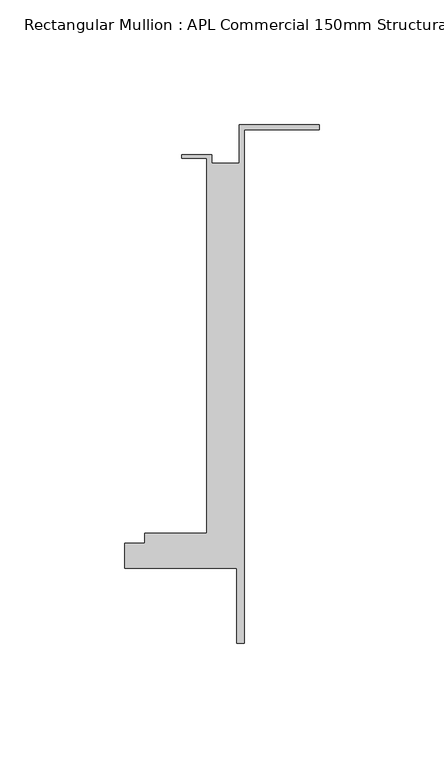
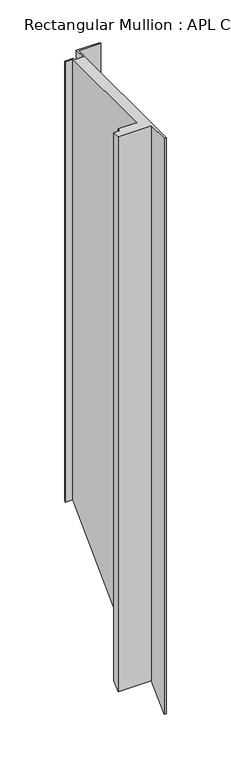
"""IFC4 building model written with IfcOpenShell, lengths in millimetres: member geometry, Rectangular Mullion : APL Commercial 150mm Structural Glaze SubSill."""

from ifc_helpers import new_model, si_unit, origin, place, context, project, spatial, faceted_brep, source, transform, mapped, element, save


def rectangular_mullion_apl_commercial_150mm_structural_glaze_546bb0ed(model_context):
    return source(origin(), model_context, "Body", "Brep", [
        faceted_brep([(-32.0, 41.25, 0.0), (-32.0, 25.75, 0.0), (-43.0, 25.75, 0.0), (-43.0, 29.25, 0.0), (-55.0, 29.25, 0.0), (-55.0, 27.75, 0.0), (-45.0, 27.75, 0.0), (-45.0, -122.75, 0.0), (-70.0000284, -122.75, 0.0), (-70.0000284, -126.75, 0.0), (-78.0000284, -126.75, 0.0), (-78.0000284, -136.75, 0.0), (-33.0000284, -136.75, 0.0), (-33.0000284, -166.75, 0.0), (-30.0, -166.75, 0.0), (-30.0, 39.25, 0.0), (0.0, 39.25, 0.0), (0.0, 41.25, 0.0), (-32.0, 41.25, -618.7499999), (-32.0, 25.75, -634.2499999), (-43.0, 25.75, -634.2499999), (-43.0, 29.25, -630.7499999), (-55.0, 29.25, -630.7499999), (-55.0, 27.75, -632.2499999), (-45.0, 27.75, -632.2499999), (-45.0, -122.75, -782.7499999), (-70.0000284, -122.75, -782.7499999), (-70.0000284, -126.75, -786.7499999), (-78.0000284, -126.75, -786.7499999), (-78.0000284, -136.75, -796.7499999), (-33.0000284, -136.75, -796.7499999), (-33.0000284, -166.75, -826.7499999), (-30.0, -166.75, -826.7499999), (-30.0, 39.25, -620.7499999), (0.0, 39.25, -620.7499999), (0.0, 41.25, -618.7499999)], [[[0, 1, 2, 3, 4, 5, 6, 7, 8, 9, 10, 11, 12, 13, 14, 15, 16, 17]], [[1, 0, 18, 19]], [[2, 1, 19, 20]], [[3, 2, 20, 21]], [[4, 3, 21, 22]], [[5, 4, 22, 23]], [[6, 5, 23, 24]], [[7, 6, 24, 25]], [[8, 7, 25, 26]], [[9, 8, 26, 27]], [[10, 9, 27, 28]], [[11, 10, 28, 29]], [[12, 11, 29, 30]], [[13, 12, 30, 31]], [[14, 13, 31, 32]], [[15, 14, 32, 33]], [[16, 15, 33, 34]], [[17, 16, 34, 35]], [[0, 17, 35, 18]], [[18, 35, 34, 33, 32, 31, 30, 29, 28, 27, 26, 25, 24, 23, 22, 21, 20, 19]]]),
    ])


if __name__ == "__main__":
    model = new_model("IFC4")
    model_context = context("Model", 3, world=origin())
    ifc_project = project(units=[si_unit("LENGTHUNIT", "METRE", prefix="MILLI")], contexts=[model_context])
    site = spatial("IfcSite", under=ifc_project)
    building = spatial("IfcBuilding", under=site)
    placement = place(None, origin())
    rectangular_mullion_apl_commercial_150mm_structural_glaze_shape = rectangular_mullion_apl_commercial_150mm_structural_glaze_546bb0ed(model_context)
    element("IfcMember", 1, ObjectType="Rectangular Mullion : APL Commercial 150mm Structural Glaze SubSill", at=placement, inside=building, context=model_context, shape_type="MappedRepresentation", body=[
        mapped(rectangular_mullion_apl_commercial_150mm_structural_glaze_shape, transform((0.0, 0.0, 0.0), x_axis=(1.0, 0.0, 0.0), y_axis=(0.0, 1.0, 0.0), z_axis=(0.0, 0.0, 1.0))),
    ])
    save(model, "model.ifc")
